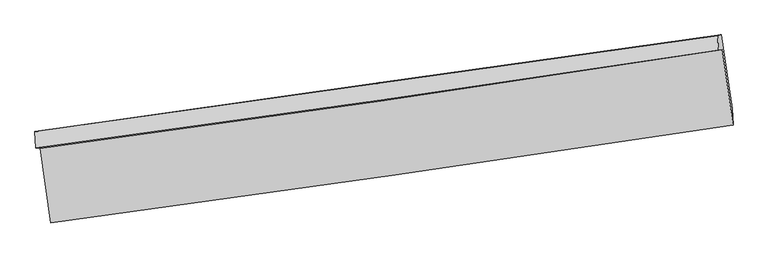
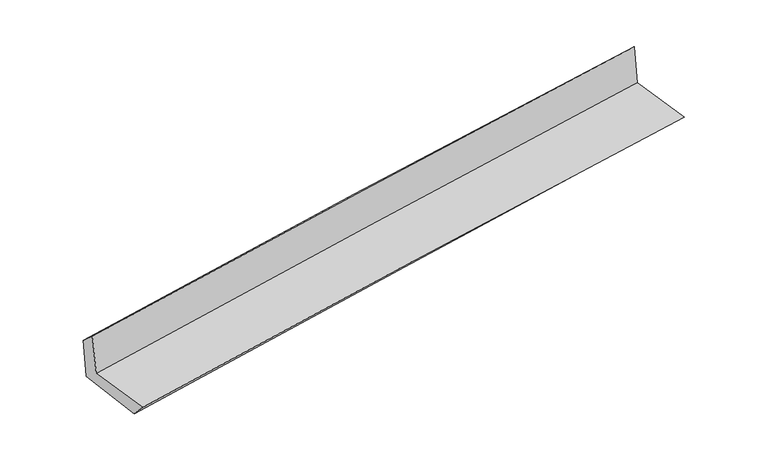
"""IFC4 building model written with IfcOpenShell, lengths in millimetres: proxy geometry."""

from ifc_helpers import new_model, si_unit, frame, origin, place, context, project, spatial, source, transform, mapped, element, save
from ifc_brep_helpers import plane_surface, spline_curve, spline_surface, advanced_brep


def generic_models_23b5342a(model_context):
    return source(origin(), model_context, "Body", "AdvancedBrep", [
        advanced_brep(
        [(-2987.1708959, -1930.2120513, 1639.1720071), (-2895.9973936, -2578.8553036, 1639.7595779), (3036.9405368, -1728.1535806, 2134.2199696), (2943.7029653, -1070.3708854, 2133.5564952), (-3023.4700849, -1926.6218283, 2044.3256128), (2909.3918236, -1076.57727, 2531.8027197), (-3032.437444, -1782.8097267, 1916.8920071), (2902.3274453, -947.0435366, 2403.8354008), (-2998.3612032, -1776.6458322, 1521.3722568), (2934.2419659, -941.2706658, 2033.4065347), (-2902.0562874, -2444.1861009, 1493.9597831), (3027.7247977, -1583.9647266, 2007.0760554)],
        [
            (0, 1),
            (1, 2, spline_curve(3, [(-2895.9973936, -2578.8553036, 1639.7595779), (-1907.588696785, -2445.218229724, 1740.339708544), (-918.992533991, -2307.510864948, 1831.833528655), (1058.653413291, -2023.944271886, 1996.655105592), (2047.703226898, -1878.08439547, 2069.981416145), (3036.9405368, -1728.1535806, 2134.2199696)], [4, 2, 4], [0.0, 9.86496458597051, 19.730714232794305])),
            (2, 3),
            (3, 0, spline_curve(3, [(2943.7029653, -1070.3708854, 2133.5564952), (1955.246459764, -1224.906506361, 2069.333700307), (966.759051824, -1373.830374807, 1996.021594613), (-1010.198906499, -1660.443204021, 1831.225319028), (-1998.669452634, -1798.133057165, 1739.742595035), (-2987.1708959, -1930.2120513, 1639.1720071)], [4, 2, 4], [0.0, 9.865749646823796, 19.730714232794305])),
            (4, 0),
            (3, 5),
            (5, 4, spline_curve(3, [(2909.3918236, -1076.57727, 2531.8027197), (1920.215027601, -1226.485486359, 2468.323985178), (931.201805244, -1372.279295834, 2395.959555905), (-1046.418805152, -1655.626827116, 2233.465772923), (-2035.026218823, -1793.18120391, 2143.337833222), (-3023.4700849, -1926.6218283, 2044.3256128)], [4, 2, 4], [0.0, 9.865134313714158, 19.729483615539777])),
            (6, 4),
            (5, 7),
            (7, 6, spline_curve(3, [(2902.3274453, -947.0435366, 2403.8354008), (1911.972981148, -1086.145863552, 2336.683327025), (922.212353759, -1225.346984403, 2262.526780862), (-1056.04251483, -1503.935730294, 2100.211201275), (-2044.536850689, -1643.323339267, 2012.053283194), (-3032.437444, -1782.8097267, 1916.8920071)], [4, 2, 4], [0.0, 9.864817312125831, 19.72884963758833])),
            (8, 6),
            (7, 9),
            (9, 8, spline_curve(3, [(2934.2419659, -941.2706658, 2033.4065347), (1944.968376201, -1080.177478094, 1953.708852374), (955.928322088, -1219.248258146, 1871.188678112), (-1021.606030228, -1497.706672736, 1700.510136178), (-2010.100366263, -1637.094281973, 1612.35221809), (-2998.3612032, -1776.6458322, 1521.3722568)], [4, 2, 4], [0.0, 9.864370816503172, 19.72795668187262])),
            (10, 8),
            (9, 11),
            (11, 10, spline_curve(3, [(3027.7247977, -1583.9647266, 2007.0760554), (2039.165261281, -1728.661114849, 1927.130821565), (1050.717412283, -1872.697249601, 1844.396702992), (-925.876264851, -2159.437602753, 1673.357501848), (-1914.022110826, -2302.141926029, 1585.052863006), (-2902.0562874, -2444.1861009, 1493.9597831)], [4, 2, 4], [0.0, 9.864879272265917, 19.728973552938058])),
            (1, 10),
            (11, 2),
        ],
        [
            spline_surface(3, 3, [[(-2987.1708959, -1930.2120513, 1639.1720071), (-1998.669452777, -1798.13305719, 1739.742595141), (-1010.198906656, -1660.443203858, 1831.225318884), (966.759051982, -1373.83037497, 1996.021594757), (1955.246459621, -1224.906506313, 2069.333700358), (2943.7029653, -1070.3708854, 2133.5564952)], [(-2956.779728465, -2146.426468727, 1639.367864025), (-1968.309200817, -2013.82811465, 1739.941632966), (-979.796782354, -1876.132424215, 1831.428055489), (997.390505722, -1590.535007244, 1996.232765019), (1986.065382045, -1442.632469346, 2069.549605578), (2974.782155808, -1289.63178379, 2133.777653341)], [(-2926.388561035, -2362.640886173, 1639.563720975), (-1937.948948861, -2229.523172131, 1740.140670816), (-949.394658129, -2091.821644627, 1831.630792098), (1028.021959387, -1807.239639576, 1996.443935284), (2016.884304444, -1660.35843241, 2069.765510773), (3005.861346292, -1508.89268221, 2133.998811459)], [(-2895.9973936, -2578.8553036, 1639.7595779), (-1907.588696901, -2445.218229591, 1740.33970864), (-918.992533827, -2307.510864984, 1831.833528703), (1058.653413127, -2023.94427185, 1996.655105545), (2047.703226867, -1878.084395443, 2069.981415993), (3036.9405368, -1728.1535806, 2134.2199696)]], [4, 4], [4, 2, 4], [0.0, 2.149017790505321], [0.0, 9.86496458597051, 19.730714232794305]),
            spline_surface(3, 3, [[(-3023.4700849, -1926.6218283, 2044.3256128), (-2035.02621882, -1793.181203753, 2143.337833216), (-1046.418805019, -1655.626827136, 2233.465772888), (931.201805111, -1372.279295814, 2395.959555939), (1920.215027488, -1226.485486328, 2468.323985247), (2909.3918236, -1076.57727, 2531.8027197)], [(-3011.370355211, -1927.818569292, 1909.27441088), (-2022.907296783, -1794.831821557, 2008.806087171), (-1034.345505569, -1657.232286043, 2099.385621548), (943.05422073, -1372.796322199, 2262.646902207), (1931.892171547, -1225.959159658, 2335.327223615), (2920.828870848, -1074.508475135, 2399.053978198)], [(-2999.270625589, -1929.015310308, 1774.22320902), (-2010.788374814, -1796.482439385, 1874.274341186), (-1022.272206106, -1658.837744951, 1965.305470224), (954.906636362, -1373.313348585, 2129.33424849), (1943.569315562, -1225.432832983, 2202.330461989), (2932.265918052, -1072.439680265, 2266.305236702)], [(-2987.1708959, -1930.2120513, 1639.1720071), (-1998.669452777, -1798.13305719, 1739.742595141), (-1010.198906656, -1660.443203858, 1831.225318884), (966.759051982, -1373.83037497, 1996.021594757), (1955.246459621, -1224.906506313, 2069.333700358), (2943.7029653, -1070.3708854, 2133.5564952)]], [4, 4], [4, 2, 4], [0.0, 1.3212077173352061], [0.0, 9.86434930182562, 19.729483615539777]),
            spline_surface(3, 3, [[(-3032.437444, -1782.8097267, 1916.8920071), (-2044.536850598, -1643.323339224, 2012.05328315), (-1056.042514822, -1503.935730222, 2100.211201422), (922.21235375, -1225.346984474, 2262.526780716), (1911.97298112, -1086.145863428, 2336.683326974), (2902.3274453, -947.0435366, 2403.8354008)], [(-3029.448324323, -1830.747093909, 1959.369875691), (-2041.366640029, -1693.275960742, 2055.814799863), (-1052.834611574, -1554.49942921, 2144.629391917), (925.208837518, -1274.324421603, 2307.004372464), (1914.720329903, -1132.92573773, 2380.563546397), (2904.68223806, -990.221447736, 2446.491173765)], [(-3026.459204577, -1878.684461091, 2001.847744209), (-2038.196429389, -1743.228582235, 2099.576316503), (-1049.626708267, -1605.063128149, 2189.047582393), (928.205321343, -1323.301858685, 2351.481964191), (1917.467678705, -1179.705612026, 2424.443765824), (2907.03703084, -1033.399358864, 2489.146946735)], [(-3023.4700849, -1926.6218283, 2044.3256128), (-2035.02621882, -1793.181203753, 2143.337833216), (-1046.418805019, -1655.626827136, 2233.465772888), (931.201805111, -1372.279295814, 2395.959555939), (1920.215027488, -1226.485486328, 2468.323985247), (2909.3918236, -1076.57727, 2531.8027197)]], [4, 4], [4, 2, 4], [0.0, 0.6574878256583239], [0.0, 9.864032325462498, 19.72884963758833]),
            spline_surface(3, 3, [[(-2998.3612032, -1776.6458322, 1521.3722568), (-2010.100366114, -1637.094281901, 1612.352217973), (-1021.606030337, -1497.706672899, 1700.510136244), (955.928322196, -1219.248257983, 1871.188678045), (1944.968376122, -1080.177478229, 1953.708852429), (2934.2419659, -941.2706658, 2033.4065347)], [(-3009.719950109, -1778.700463677, 1653.212173557), (-2021.579194251, -1639.170634319, 1745.585906356), (-1033.084858474, -1499.783025317, 1833.743824627), (944.689666073, -1221.28116679, 2001.634712259), (1933.969911124, -1082.166939969, 2081.36701063), (2923.603792369, -943.194956073, 2156.88282342)], [(-3021.078697091, -1780.755095223, 1785.052090343), (-2033.058022461, -1641.246986806, 1878.819594767), (-1044.563686685, -1501.859377805, 1966.977513038), (933.451009874, -1223.314075667, 2132.080746501), (1922.971446118, -1084.156401689, 2209.025168772), (2912.965618831, -945.119246327, 2280.35911208)], [(-3032.437444, -1782.8097267, 1916.8920071), (-2044.536850598, -1643.323339224, 2012.05328315), (-1056.042514822, -1503.935730222, 2100.211201422), (922.21235375, -1225.346984474, 2262.526780716), (1911.97298112, -1086.145863428, 2336.683326974), (2902.3274453, -947.0435366, 2403.8354008)]], [4, 4], [4, 2, 4], [0.0, 1.3025994570316028], [0.0, 9.863585865369448, 19.72795668187262]),
            spline_surface(3, 3, [[(-2902.0562874, -2444.1861009, 1493.9597831), (-1914.022110883, -2302.141926098, 1585.052862908), (-925.876264914, -2159.437602688, 1673.357501794), (1050.717412346, -1872.697249666, 1844.396703045), (2039.165261408, -1728.661114969, 1927.130821617), (3027.7247977, -1583.9647266, 2007.0760554)], [(-2934.157925995, -2221.672678003, 1503.097274322), (-1946.048195955, -2080.459378036, 1594.152647919), (-957.786186738, -1938.86062609, 1682.40837994), (1019.121048947, -1654.880919104, 1853.327361375), (2007.766299649, -1512.499902699, 1935.990165211), (2996.563853769, -1369.733372977, 2015.852881824)], [(-2966.259564605, -1999.159255097, 1512.234765578), (-1978.074281042, -1858.776829964, 1603.252432962), (-989.696108513, -1718.283649497, 1691.459258098), (987.524685596, -1437.064588545, 1862.258019716), (1976.367337882, -1296.338690499, 1944.849508834), (2965.402909831, -1155.502019423, 2024.629708276)], [(-2998.3612032, -1776.6458322, 1521.3722568), (-2010.100366114, -1637.094281901, 1612.352217973), (-1021.606030337, -1497.706672899, 1700.510136244), (955.928322196, -1219.248257983, 1871.188678045), (1944.968376122, -1080.177478229, 1953.708852429), (2934.2419659, -941.2706658, 2033.4065347)]], [4, 4], [4, 2, 4], [0.0, 2.181760945128186], [0.0, 9.864094280672141, 19.728973552938058]),
            spline_surface(3, 3, [[(-2895.9973936, -2578.8553036, 1639.7595779), (-1907.588696901, -2445.218229591, 1740.33970864), (-918.992533827, -2307.510864984, 1831.833528703), (1058.653413127, -2023.94427185, 1996.655105545), (2047.703226867, -1878.084395443, 2069.981415993), (3036.9405368, -1728.1535806, 2134.2199696)], [(-2898.017024897, -2533.965569393, 1591.159646325), (-1909.733168258, -2397.526128453, 1688.577426754), (-921.287110867, -2258.153110913, 1779.008186413), (1056.008079523, -1973.528597817, 1945.902304725), (2044.857238359, -1828.276635308, 2022.364551186), (3033.868623745, -1680.09062929, 2091.838664851)], [(-2900.036656103, -2489.075835107, 1542.559714675), (-1911.877639526, -2349.834027236, 1636.815144794), (-923.581687875, -2208.795356759, 1726.182844084), (1053.36274595, -1923.1129237, 1895.149503866), (2042.011249916, -1778.468875104, 1974.747686425), (3030.796710755, -1632.02767791, 2049.457360149)], [(-2902.0562874, -2444.1861009, 1493.9597831), (-1914.022110883, -2302.141926098, 1585.052862908), (-925.876264914, -2159.437602688, 1673.357501794), (1050.717412346, -1872.697249666, 1844.396703045), (2039.165261408, -1728.661114969, 1927.130821617), (3027.7247977, -1583.9647266, 2007.0760554)]], [4, 4], [4, 2, 4], [0.0, 0.7081751788019118], [0.0, 9.865081187679179, 19.730947445490887]),
            plane_surface(frame((2959.0549224, -1224.5634442, 2207.3161959), z_axis=(0.9863230258801162, 0.13989451387550308, 0.08715740706462205), x_axis=(-0.0858272651244751, -0.015524899172693351, 0.9961890674299386))),
            plane_surface(frame((-2973.2488848, -2073.2218072, 1709.2468741), z_axis=(-0.9864864605898341, -0.13873979898401362, -0.08715349247630426), x_axis=(-0.1391919656105881, 0.9902650110204217, -0.0008970274159194169))),
        ],
        [
            (0, [[1, 2, 3, 4]]),
            (1, [[5, -4, 6, 7]]),
            (2, [[8, -7, 9, 10]]),
            (3, [[11, -10, 12, 13]]),
            (4, [[14, -13, 15, 16]]),
            (5, [[17, -16, 18, -2]]),
            (6, [[-12, -9, -6, -3, -18, -15]]),
            (7, [[-1, -5, -8, -11, -14, -17]]),
        ],
    ),
    ])


if __name__ == "__main__":
    model = new_model("IFC4")
    model_context = context("Model", 3, world=origin())
    ifc_project = project(units=[si_unit("LENGTHUNIT", "METRE", prefix="MILLI")], contexts=[model_context])
    site = spatial("IfcSite", under=ifc_project)
    building = spatial("IfcBuilding", under=site)
    placement = place(None, origin())
    generic_models_shape = generic_models_23b5342a(model_context)
    element("IfcBuildingElementProxy", 1, Name="Generic Models", at=placement, inside=building, context=model_context, shape_type="MappedRepresentation", body=[
        mapped(generic_models_shape, transform((0.0, 0.0, 0.0), x_axis=(1.0, 0.0, 0.0), y_axis=(0.0, 1.0, 0.0), z_axis=(0.0, 0.0, 1.0))),
    ])
    save(model, "model.ifc")
